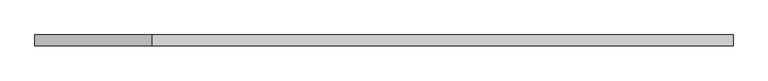
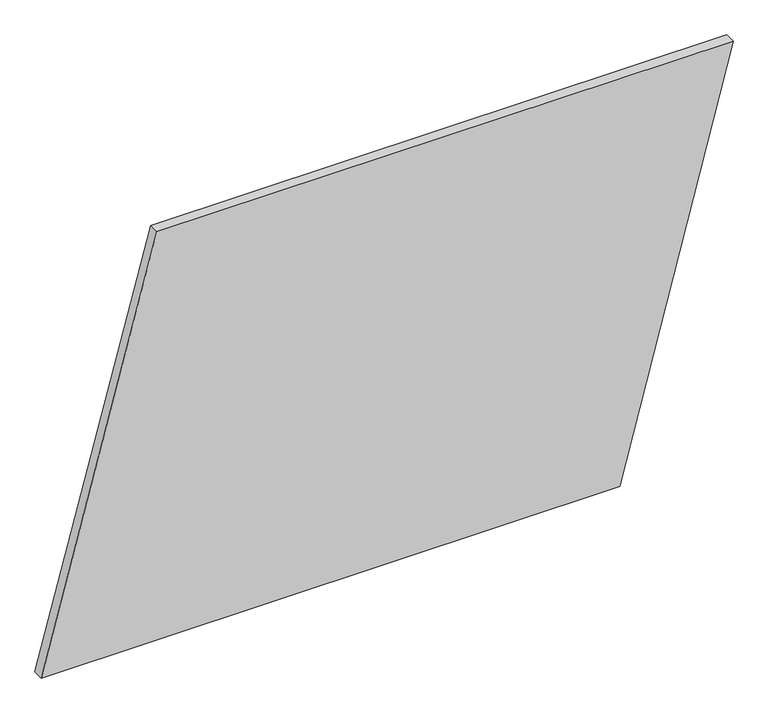
"""IFC4 building model written with IfcOpenShell, lengths in millimetres: plate geometry."""

from ifc_helpers import new_model, si_unit, frame, origin, place, context, project, spatial, polyline, outline, extrude, source, transform, mapped, element, save


def plate_dc04c4ff(model_context):
    return source(origin(), model_context, "Body", "SweptSolid", [
        extrude(outline(polyline([(0.0, -801.4635352), (0.0, 538.5468586), (1000.0, 801.4635352), (1000.0, -533.5143427), (0.0, -801.4635352)])), frame((0.0, 24.5, 0.0), z_axis=(0.0, 1.0, 0.0), x_axis=(0.0, 0.0, 1.0)), (0.0, 0.0, 1.0), 25.0),
    ])


if __name__ == "__main__":
    model = new_model("IFC4")
    model_context = context("Model", 3, world=origin())
    ifc_project = project(units=[si_unit("LENGTHUNIT", "METRE", prefix="MILLI")], contexts=[model_context])
    site = spatial("IfcSite", under=ifc_project)
    building = spatial("IfcBuilding", under=site)
    placement = place(None, origin())
    plate_shape = plate_dc04c4ff(model_context)
    element("IfcPlate", 1, at=placement, inside=building, context=model_context, shape_type="MappedRepresentation", body=[
        mapped(plate_shape, transform((0.0, 0.0, 0.0), x_axis=(1.0, 0.0, 0.0), y_axis=(0.0, 1.0, 0.0), z_axis=(0.0, 0.0, 1.0))),
    ])
    save(model, "model.ifc")
